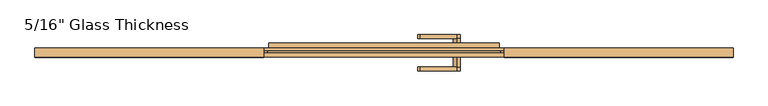
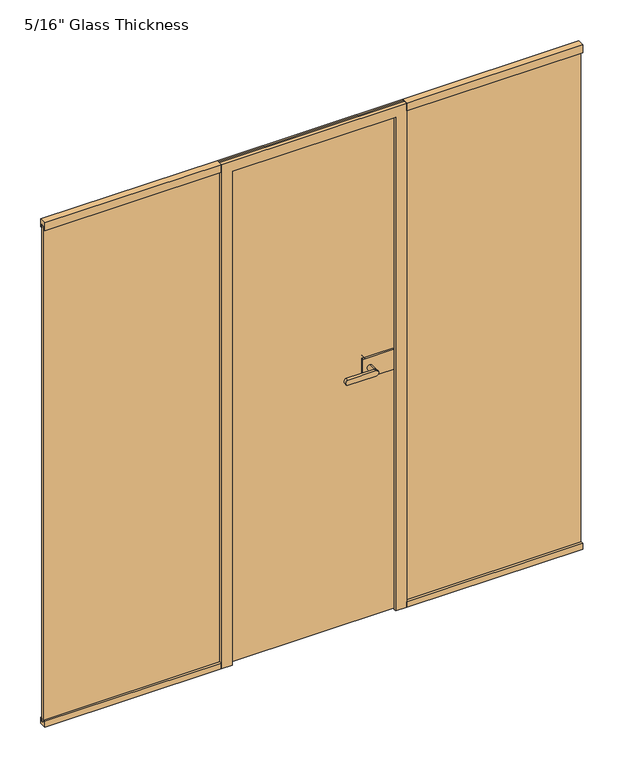
"""IFC4 building model written with IfcOpenShell, lengths in millimetres: door geometry."""

from ifc_helpers import new_model, si_unit, point, frame, frame_2d, origin, place, context, project, spatial, polyline, circle_curve, ellipse_curve, trimmed, segment, composite_curve, outline, extrude, faceted_brep, source, transform, mapped, element, save
from ifc_brep_helpers import plane_surface, cylinder_surface, extruded_surface, advanced_brep


def door_eccef04c(model_context):
    return source(origin(), model_context, "Body", "SolidModel", [
        extrude(outline(composite_curve([segment(trimmed(circle_curve(frame_2d((1150.0, 242.0)), 11.9886308), [point((1161.9886308, 242.0))], [point((1138.0113692, 242.0))], False, "CARTESIAN"), True, "CONTINUOUS"), segment(trimmed(circle_curve(frame_2d((1150.0, 242.0)), 11.9886308), [point((1138.0113692, 242.0))], [point((1161.9886308, 242.0))], False, "CARTESIAN"), True, "CONTINUOUS")], self_intersect=False)), frame((0.0, -54.56, 0.0), z_axis=(0.0, 1.0, 0.0), x_axis=(0.0, 0.0, 1.0)), (0.0, 0.0, 1.0), 33.5),
        advanced_brep(
        [(242.0, -54.56, 1161.9886308), (242.0, -54.56, 1138.0113692), (120.3382074, -54.56, 1138.0113692), (120.3382074, -54.56, 1161.9886308), (242.0, -67.06, 1161.9886308), (120.3382074, -67.06, 1161.9886308), (120.3382074, -67.06, 1138.0113692), (242.0, -67.06, 1138.0113692)],
        [
            (0, 1, circle_curve(frame((242.0, -54.56, 1150.0), z_axis=(0.0, 1.0, 0.0), x_axis=(0.0, 0.0, -1.0)), 11.9886308)),
            (1, 2),
            (2, 3, ellipse_curve(frame((120.3382074, -54.56, 1150.0), z_axis=(0.0, 1.0, 0.0), x_axis=(0.0, 0.0, 1.0)), 11.9886308, 7.9050795)),
            (3, 0),
            (4, 5),
            (5, 6, ellipse_curve(frame((120.3382074, -67.06, 1150.0), z_axis=(0.0, -1.0, 0.0), x_axis=(0.0, 0.0, 1.0)), 11.9886308, 7.9050795)),
            (6, 7),
            (7, 4, circle_curve(frame((242.0, -67.06, 1150.0), z_axis=(0.0, -1.0, 0.0), x_axis=(0.0, 0.0, -1.0)), 11.9886308)),
            (3, 5),
            (4, 0),
            (2, 6),
            (1, 7),
        ],
        [
            plane_surface(frame((120.3382074, -54.56, 1161.9886308), z_axis=(0.0, 1.0, 0.0), x_axis=(-1.0, 0.0, 0.0))),
            plane_surface(frame((120.3382074, -67.06, 1161.9886308), z_axis=(0.0, -1.0, 0.0), x_axis=(1.0, 0.0, 0.0))),
            plane_surface(frame((242.0, -54.56, 1161.9886308), z_axis=(0.0, 0.0, 1.0), x_axis=(0.0, -1.0, 0.0))),
            extruded_surface(trimmed(ellipse_curve(frame((120.3382074, -67.06, 1150.0), z_axis=(0.0, -1.0, 0.0), x_axis=(0.0, 0.0, 1.0)), 11.9886308, 7.9050795), [point((120.3382074, -67.06, 1161.9886308))], [point((120.3382074, -67.06, 1138.0113692))], True, "CARTESIAN"), (0.0, -12.5, 0.0), 12.5),
            plane_surface(frame((120.3382074, -54.56, 1138.0113692), z_axis=(0.0, 0.0, -1.0), x_axis=(0.0, -1.0, 0.0))),
            cylinder_surface(frame((242.0, -67.06, 1150.0), z_axis=(0.0, 1.0, 0.0), x_axis=(0.0, 0.0, -1.0)), 11.9886308),
        ],
        [
            (0, [[1, 2, 3, 4]]),
            (1, [[5, 6, 7, 8]]),
            (2, [[9, -5, 10, -4]]),
            (3, [[11, -6, -9, -3]]),
            (4, [[12, -7, -11, -2]]),
            (5, [[-10, -8, -12, -1]]),
        ],
    ),
        extrude(outline(polyline([(346.0, -11.06), (346.0, -21.06), (212.0, -21.06), (212.0, -11.06), (346.0, -11.06)])), frame((0.0, 0.0, 1105.0), z_axis=(0.0, 0.0, 1.0), x_axis=(1.0, 0.0, 0.0)), (0.0, 0.0, 1.0), 90.0),
        extrude(outline(polyline([(362.0, 6.94), (362.0, -3.06), (212.0, -3.06), (212.0, 6.94), (362.0, 6.94)])), frame((0.0, 0.0, 1105.0), z_axis=(0.0, 0.0, 1.0), x_axis=(1.0, 0.0, 0.0)), (0.0, 0.0, 1.0), 90.0),
        advanced_brep(
        [(242.0, 6.94, 1161.9886308), (242.0, 6.94, 1138.0113692), (242.0, 40.4398825, 1161.9886308), (242.0, 40.4398825, 1138.0113692), (242.0, 52.9399695, 1161.9886308), (242.0, 52.9399695, 1138.0113692), (120.3382074, 52.9399695, 1138.0113692), (120.3382074, 52.9399695, 1161.9886308), (120.3382074, 40.4398825, 1161.9886308), (120.3382074, 40.4398825, 1138.0113692)],
        [
            (0, 1, circle_curve(frame((242.0, 6.94, 1150.0), z_axis=(0.0, -1.0, 0.0), x_axis=(0.0, 0.0, -1.0)), 11.9886308)),
            (1, 0, circle_curve(frame((242.0, 6.94, 1150.0), z_axis=(0.0, -1.0, 0.0), x_axis=(0.0, 0.0, -1.0)), 11.9886308)),
            (0, 2),
            (2, 3, circle_curve(frame((242.0, 40.4398825, 1150.0), z_axis=(0.0, -1.0, 0.0), x_axis=(0.0, 0.0, -1.0)), 11.9886308)),
            (3, 1),
            (3, 2, circle_curve(frame((242.0, 40.4398825, 1150.0), z_axis=(0.0, -1.0, 0.0), x_axis=(0.0, 0.0, -1.0)), 11.9886308)),
            (4, 5, circle_curve(frame((242.0, 52.9399695, 1150.0), z_axis=(0.0, 1.0, 0.0), x_axis=(0.0, 0.0, -1.0)), 11.9886308)),
            (5, 6),
            (6, 7, ellipse_curve(frame((120.3382074, 52.9399695, 1150.0), z_axis=(0.0, 1.0, 0.0), x_axis=(0.0, 0.0, 1.0)), 11.9886308, 7.9050795)),
            (7, 4),
            (2, 8),
            (8, 9, ellipse_curve(frame((120.3382074, 40.4398825, 1150.0), z_axis=(0.0, -1.0, 0.0), x_axis=(0.0, 0.0, 1.0)), 11.9886308, 7.9050795)),
            (9, 3),
            (7, 8),
            (2, 4),
            (6, 9),
            (5, 3),
        ],
        [
            plane_surface(frame((242.0, 6.94, 1138.0113692), z_axis=(0.0, -1.0, 0.0), x_axis=(-1.0, 0.0, 0.0))),
            cylinder_surface(frame((242.0, 6.94, 1150.0), z_axis=(0.0, 1.0, 0.0), x_axis=(0.0, 0.0, -1.0)), 11.9886308),
            plane_surface(frame((120.3382074, 52.9399695, 1161.9886308), z_axis=(0.0, 1.0, 0.0), x_axis=(-1.0, 0.0, 0.0))),
            plane_surface(frame((120.3382074, 40.4398825, 1161.9886308), z_axis=(0.0, -1.0, 0.0), x_axis=(1.0, 0.0, 0.0))),
            plane_surface(frame((242.0, 52.9399695, 1161.9886308), z_axis=(0.0, 0.0, 1.0), x_axis=(0.0, -1.0, 0.0))),
            extruded_surface(trimmed(ellipse_curve(frame((120.3382074, 40.4398825, 1150.0), z_axis=(0.0, -1.0, 0.0), x_axis=(0.0, 0.0, 1.0)), 11.9886308, 7.9050795), [point((120.3382074, 40.4398825, 1161.9886308))], [point((120.3382074, 40.4398825, 1138.0113692))], True, "CARTESIAN"), (0.0, -12.500087000000004, 0.0), 12.500087000000004),
            plane_surface(frame((120.3382074, 52.9399695, 1138.0113692), z_axis=(0.0, 0.0, -1.0), x_axis=(0.0, -1.0, 0.0))),
            cylinder_surface(frame((242.0, 40.4398825, 1150.0), z_axis=(0.0, 1.0, 0.0), x_axis=(0.0, 0.0, -1.0)), 11.9886308),
        ],
        [
            (0, [[1, 2]]),
            (1, [[3, 4, 5, -1]]),
            (1, [[-5, 6, -3, -2]]),
            (2, [[7, 8, 9, 10]]),
            (3, [[-4, 11, 12, 13]]),
            (4, [[14, -11, 15, -10]]),
            (5, [[16, -12, -14, -9]]),
            (6, [[17, -13, -16, -8]]),
            (7, [[-15, -6, -17, -7]]),
        ],
    ),
        extrude(outline(polyline([(1160.5, 0.0), (1160.5, -8.0), (386.0, -8.0), (386.0, 0.0), (1160.5, 0.0)])), frame((0.0, 0.0, 13.0), z_axis=(0.0, 0.0, 1.0), x_axis=(1.0, 0.0, 0.0)), (0.0, 0.0, 1.0), 2267.0),
        extrude(outline(polyline([(-22.06, 0.0), (-22.06, 26.0), (-12.0, 26.0), (-12.0, 13.0), (0.0, 13.0), (0.0, 26.0), (7.94, 26.0), (7.94, 0.0), (-22.06, 0.0)])), frame((400.0, 0.0, 0.0), z_axis=(1.0, 0.0, 0.0), x_axis=(0.0, 1.0, 0.0)), (0.0, 0.0, 1.0), 760.5),
        extrude(outline(polyline([(-22.06, 2300.0), (7.94, 2300.0), (7.94, 2265.0), (0.0, 2265.0), (0.0, 2280.0), (-12.0, 2280.0), (-12.0, 2265.0), (-22.06, 2265.0), (-22.06, 2300.0)])), frame((400.0, 0.0, 0.0), z_axis=(1.0, 0.0, 0.0), x_axis=(0.0, 1.0, 0.0)), (0.0, 0.0, 1.0), 760.5),
        extrude(outline(polyline([(-22.06, 0.0), (-22.06, 26.0), (-12.0, 26.0), (-12.0, 13.0), (0.0, 13.0), (0.0, 26.0), (7.94, 26.0), (7.94, 0.0), (-22.06, 0.0)])), frame((-1160.5, 0.0, 0.0), z_axis=(1.0, 0.0, 0.0), x_axis=(0.0, 1.0, 0.0)), (0.0, 0.0, 1.0), 760.5),
        extrude(outline(polyline([(-22.06, 2300.0), (7.94, 2300.0), (7.94, 2265.0), (0.0, 2265.0), (0.0, 2280.0), (-12.0, 2280.0), (-12.0, 2265.0), (-22.06, 2265.0), (-22.06, 2300.0)])), frame((-1160.5, 0.0, 0.0), z_axis=(1.0, 0.0, 0.0), x_axis=(0.0, 1.0, 0.0)), (0.0, 0.0, 1.0), 760.5),
        extrude(outline(polyline([(-1160.5, 0.0), (-386.0, 0.0), (-386.0, -8.0), (-1160.5, -8.0), (-1160.5, 0.0)])), frame((0.0, 0.0, 13.0), z_axis=(0.0, 0.0, 1.0), x_axis=(1.0, 0.0, 0.0)), (0.0, 0.0, 1.0), 2267.0),
        faceted_brep([(-365.9, -11.06, 0.0), (-353.0, -11.06, 0.0), (-353.0, -22.06, 0.0), (-400.0, -22.06, 0.0), (-400.0, -8.0, 0.0), (-386.0, -8.0, 0.0), (-386.0, 0.0, 0.0), (-400.0, 0.0, 0.0), (-400.0, 7.94, 0.0), (-383.0, 7.94, 0.0), (-383.0, 25.94, 0.0), (-365.9, 25.94, 0.0), (365.9, -11.06, 0.0), (365.9, 25.94, 0.0), (383.0, 25.94, 0.0), (383.0, 7.94, 0.0), (400.0, 7.94, 0.0), (400.0, 0.0, 0.0), (386.0, 0.0, 0.0), (386.0, -8.0, 0.0), (400.0, -8.0, 0.0), (400.0, -22.06, 0.0), (353.0, -22.06, 0.0), (353.0, -11.06, 0.0), (353.0, -22.06, 2253.0), (353.0, -11.06, 2253.0), (400.0, -8.0, 2300.0), (400.0, -22.06, 2300.0), (386.0, 0.0, 2286.0), (386.0, -8.0, 2286.0), (400.0, 7.94, 2300.0), (400.0, 0.0, 2300.0), (383.0, 25.94, 2283.0), (383.0, 7.94, 2283.0), (365.9, -11.06, 2265.9), (365.9, 25.94, 2265.9), (-365.9, -11.06, 2265.9), (-353.0, -11.06, 2253.0), (-353.0, -22.06, 2253.0), (-400.0, -22.06, 2300.0), (-400.0, -8.0, 2300.0), (-386.0, -8.0, 2286.0), (-386.0, 0.0, 2286.0), (-400.0, 0.0, 2300.0), (-400.0, 7.94, 2300.0), (-383.0, 7.94, 2283.0), (-383.0, 25.94, 2283.0), (-365.9, 25.94, 2265.9)], [[[0, 1, 2, 3, 4, 5, 6, 7, 8, 9, 10, 11]], [[12, 13, 14, 15, 16, 17, 18, 19, 20, 21, 22, 23]], [[24, 25, 23, 22]], [[26, 27, 21, 20]], [[28, 29, 19, 18]], [[30, 31, 17, 16]], [[32, 33, 15, 14]], [[34, 35, 13, 12]], [[1, 0, 36, 34, 12, 23, 25, 37]], [[2, 1, 37, 38]], [[3, 2, 38, 24, 22, 21, 27, 39]], [[4, 3, 39, 40]], [[5, 4, 40, 26, 20, 19, 29, 41]], [[6, 5, 41, 42]], [[7, 6, 42, 28, 18, 17, 31, 43]], [[8, 7, 43, 44]], [[9, 8, 44, 30, 16, 15, 33, 45]], [[10, 9, 45, 46]], [[11, 10, 46, 32, 14, 13, 35, 47]], [[0, 11, 47, 36]], [[38, 37, 25, 24]], [[40, 39, 27, 26]], [[42, 41, 29, 28]], [[44, 43, 31, 30]], [[46, 45, 33, 32]], [[36, 47, 35, 34]]]),
        extrude(outline(polyline([(362.0, -3.06), (362.0, -11.06), (-361.0, -11.06), (-361.0, -3.06), (362.0, -3.06)])), frame((0.0, 0.0, 7.0), z_axis=(0.0, 0.0, 1.0), x_axis=(1.0, 0.0, 0.0)), (0.0, 0.0, 1.0), 2255.0),
    ])


if __name__ == "__main__":
    model = new_model("IFC4")
    model_context = context("Model", 3, world=origin())
    ifc_project = project(units=[si_unit("LENGTHUNIT", "METRE", prefix="MILLI")], contexts=[model_context])
    site = spatial("IfcSite", under=ifc_project)
    building = spatial("IfcBuilding", under=site)
    placement = place(None, origin())
    door_shape = door_eccef04c(model_context)
    element("IfcDoor", 1, ObjectType="5/16\" Glass Thickness", at=placement, inside=building, context=model_context, shape_type="MappedRepresentation", body=[
        mapped(door_shape, transform((0.0, 0.0, 0.0), x_axis=(1.0, 0.0, 0.0), y_axis=(0.0, 1.0, 0.0), z_axis=(0.0, 0.0, 1.0))),
    ])
    save(model, "model.ifc")
